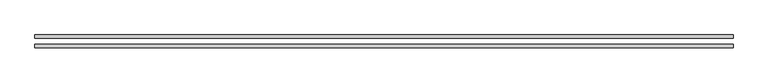
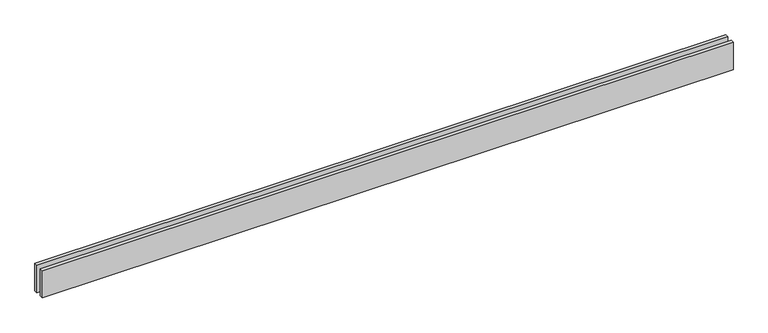
"""IFC4 building model written with IfcOpenShell, lengths in millimetres: proxy geometry."""

from ifc_helpers import new_model, si_unit, origin, origin_with_axes, place, context, project, spatial, polyline, outline, extrude, source, transform, mapped, element, save


def generic_models_205eb863(model_context):
    return source(origin(), model_context, "Body", "SweptSolid", [
        extrude(outline(polyline([(5947.553724, 25.0), (0.0, 25.0), (0.0, 55.0), (5947.553724, 55.0), (5947.553724, 25.0)])), origin_with_axes(), (0.0, 0.0, 1.0), 250.0),
        extrude(outline(polyline([(5947.553724, -55.0), (0.0, -55.0), (0.0, -25.0), (5947.553724, -25.0), (5947.553724, -55.0)])), origin_with_axes(), (0.0, 0.0, 1.0), 250.0),
    ])


if __name__ == "__main__":
    model = new_model("IFC4")
    model_context = context("Model", 3, world=origin())
    ifc_project = project(units=[si_unit("LENGTHUNIT", "METRE", prefix="MILLI")], contexts=[model_context])
    site = spatial("IfcSite", under=ifc_project)
    building = spatial("IfcBuilding", under=site)
    placement = place(None, origin())
    generic_models_shape = generic_models_205eb863(model_context)
    element("IfcBuildingElementProxy", 1, Name="Generic Models", at=placement, inside=building, context=model_context, shape_type="MappedRepresentation", body=[
        mapped(generic_models_shape, transform((0.0, 0.0, 0.0), x_axis=(1.0, 0.0, 0.0), y_axis=(0.0, 1.0, 0.0), z_axis=(0.0, 0.0, 1.0))),
    ])
    save(model, "model.ifc")
